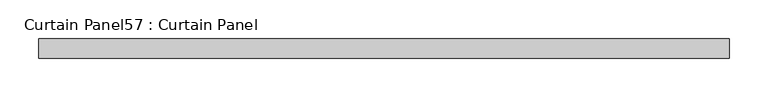
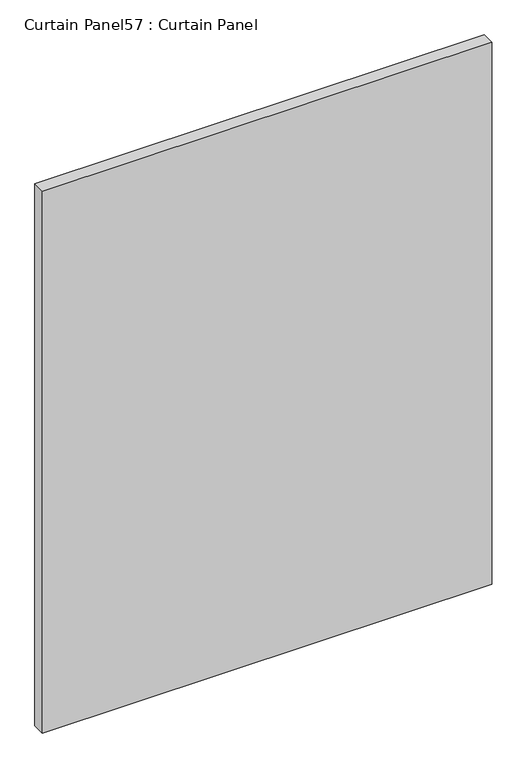
"""IFC4 building model written with IfcOpenShell, lengths in millimetres: plate geometry, Curtain Panel57 : Curtain Panel."""

import ifcopenshell
import ifcopenshell.guid

model = None  # the IFC model being written
_history = None  # IfcOwnerHistory: only IFC2X3 demands one
_inside = {}  # id of a spatial element -> (the spatial element, [elements in it])
_under = {}  # id of a project, library or spatial element -> (it, [spatial elements below it])
_declared = {}  # id of a project -> (the project, [libraries it declares])
_typed = {}  # id of a type object -> (the type object, [elements of that type])
_made_of = {}  # id of a material, layer set ... -> (it, [elements and type objects made of it])


def new_model(schema):
    """Start an empty IFC model of exactly this schema.

    Asked for "IFC4X3", IfcOpenShell would pick the latest addendum, in which some entities
    have other attributes; the version numbers below select the first issue.
    IFC2X3 requires an IfcOwnerHistory on every rooted entity: one is made here for all.
    """
    global model, _history
    if schema == "IFC4X3":
        model = ifcopenshell.file(schema_version=(4, 3, 0, 0))
    else:
        model = ifcopenshell.file(schema=schema)
    _inside.clear()
    _under.clear()
    _declared.clear()
    _typed.clear()
    _made_of.clear()
    _history = None
    if model.schema == "IFC2X3":
        org = make("IfcOrganization", Name="unknown")
        user = make(
            "IfcPersonAndOrganization",
            ThePerson=make("IfcPerson", FamilyName="unknown"),
            TheOrganization=org,
        )
        app = make(
            "IfcApplication",
            ApplicationDeveloper=org,
            Version="unknown",
            ApplicationFullName="unknown",
            ApplicationIdentifier="unknown",
        )
        _history = make(
            "IfcOwnerHistory",
            OwningUser=user,
            OwningApplication=app,
            ChangeAction="ADDED",
            CreationDate=0,
        )
    return model


def make(cls, **values):
    """One entity of the class cls with the attributes given. An attribute that is None is left unset."""
    return model.create_entity(
        cls, **{name: value for name, value in values.items() if value is not None}
    )


def rooted(cls, **values):
    """An entity with a GlobalId (a new one), such as an element, a storey or a relation."""
    return make(cls, GlobalId=ifcopenshell.guid.new(), OwnerHistory=_history, **values)


def si_unit(unit_type, name, prefix=None):
    """IfcSIUnit, for example si_unit("LENGTHUNIT", "METRE", prefix="MILLI")."""
    return make("IfcSIUnit", UnitType=unit_type, Prefix=prefix, Name=name)


def assignment(units):
    """IfcUnitAssignment: the units of a project."""
    return None if units is None else make("IfcUnitAssignment", Units=units)


def point(xyz):
    """IfcCartesianPoint."""
    return None if xyz is None else make("IfcCartesianPoint", Coordinates=xyz)


def direction(xyz):
    """IfcDirection."""
    return None if xyz is None else make("IfcDirection", DirectionRatios=xyz)


def frame(location, z_axis=None, x_axis=None):
    """IfcAxis2Placement3D, a coordinate frame: its origin and axes. An axis left out is left unset."""
    return make(
        "IfcAxis2Placement3D",
        Location=point(location),
        Axis=direction(z_axis),
        RefDirection=direction(x_axis),
    )


def origin():
    """The frame at (0, 0, 0) with its axes left unset."""
    return frame((0.0, 0.0, 0.0))


def place(relative_to, where):
    """IfcLocalPlacement: puts the frame where relative to a parent placement (None: the world)."""
    return make(
        "IfcLocalPlacement", PlacementRelTo=relative_to, RelativePlacement=where
    )


def context(
    kind, dimensions, precision=None, world=None, true_north=None, identifier=None
):
    """IfcGeometricRepresentationContext, for example the 3D "Model" context."""
    return make(
        "IfcGeometricRepresentationContext",
        ContextIdentifier=identifier,
        ContextType=kind,
        CoordinateSpaceDimension=dimensions,
        Precision=precision,
        WorldCoordinateSystem=world,
        TrueNorth=true_north,
    )


def project(units=None, contexts=None):
    """IfcProject with its units and contexts."""
    return rooted(
        "IfcProject",
        Name="project",
        RepresentationContexts=contexts,
        UnitsInContext=assignment(units),
    )


def spatial(cls, under=None, at=None, **own):
    """A site, building, storey or space (cls), placed at a placement, below another one or the project."""
    s = rooted(cls, ObjectPlacement=at, **own)
    if under is not None:
        _under.setdefault(under.id(), (under, []))[1].append(s)
    return s


def polyline(points):
    """IfcPolyline through the points."""
    return make("IfcPolyline", Points=[point(p) for p in points])


def outline(outer, holes=None, kind="AREA"):
    """IfcArbitraryClosedProfileDef: a profile drawn as a closed curve; with holes, ...WithVoids."""
    if holes is None:
        return make("IfcArbitraryClosedProfileDef", ProfileType=kind, OuterCurve=outer)
    return make(
        "IfcArbitraryProfileDefWithVoids",
        ProfileType=kind,
        OuterCurve=outer,
        InnerCurves=holes,
    )


def extrude(swept, where, along, depth):
    """IfcExtrudedAreaSolid: the profile swept, set in the frame where, extruded along a direction by depth."""
    return make(
        "IfcExtrudedAreaSolid",
        SweptArea=swept,
        Position=where,
        ExtrudedDirection=direction(along),
        Depth=depth,
    )


def shape(context_of_items, identifier, shape_type, items):
    """IfcShapeRepresentation: the items that make up one representation, for example the "Body"."""
    return make(
        "IfcShapeRepresentation",
        ContextOfItems=context_of_items,
        RepresentationIdentifier=identifier,
        RepresentationType=shape_type,
        Items=items,
    )


def source(mapping_origin, context_of_items, identifier, shape_type, items):
    """IfcRepresentationMap: a shape defined once, which mapped items show again and again."""
    return make(
        "IfcRepresentationMap",
        MappingOrigin=mapping_origin,
        MappedRepresentation=shape(context_of_items, identifier, shape_type, items),
    )


def transform(
    local_origin,
    x_axis=None,
    y_axis=None,
    z_axis=None,
    scale=None,
    scale2=None,
    scale3=None,
    uniform=True,
):
    """IfcCartesianTransformationOperator3D, or its non-uniform kind. x_axis, y_axis, z_axis: its Axis1, 2, 3."""
    if uniform:
        return make(
            "IfcCartesianTransformationOperator3D",
            Axis1=direction(x_axis),
            Axis2=direction(y_axis),
            LocalOrigin=point(local_origin),
            Scale=scale,
            Axis3=direction(z_axis),
        )
    return make(
        "IfcCartesianTransformationOperator3DnonUniform",
        Axis1=direction(x_axis),
        Axis2=direction(y_axis),
        LocalOrigin=point(local_origin),
        Scale=scale,
        Axis3=direction(z_axis),
        Scale2=scale2,
        Scale3=scale3,
    )


def mapped(mapping_source, mapping_target):
    """IfcMappedItem: shows the shape of a source again, moved by a transform."""
    return make(
        "IfcMappedItem", MappingSource=mapping_source, MappingTarget=mapping_target
    )


def made_of(thing, what):
    """Note that an element or type object is made of a material, layer set ...; save() writes the relation."""
    if what is not None:
        _made_of.setdefault(what.id(), (what, []))[1].append(thing)
    return thing


def element(
    cls,
    number,
    at=None,
    inside=None,
    cuts=None,
    type_object=None,
    material=None,
    context=None,
    identifier="Body",
    shape_type=None,
    held_by="IfcProductDefinitionShape",
    body=None,
    shapes=None,
    **own,
):
    """One element of the class cls, such as IfcWall. Its Tag is "e" and its number.

    at: its placement. inside: the storey or other place that contains it. cuts: it is an
    opening in that element (IfcRelVoidsElement). A single representation is given by context,
    identifier, shape_type and body (its items); several are given by shapes. held_by: the class
    of the entity that holds the representations. save() writes the other relations.
    """
    e = rooted(cls, Tag="e%d" % number, ObjectPlacement=at, **own)
    if body is not None:
        shapes = [shape(context, identifier, shape_type, body)]
    if shapes is not None:
        e.Representation = make(held_by, Representations=shapes)
    if inside is not None:
        _inside.setdefault(inside.id(), (inside, []))[1].append(e)
    if cuts is not None:
        rooted(
            "IfcRelVoidsElement", RelatingBuildingElement=cuts, RelatedOpeningElement=e
        )
    if type_object is not None:
        _typed.setdefault(type_object.id(), (type_object, []))[1].append(e)
    return made_of(e, material)


def aggregate(whole, parts):
    """IfcRelAggregates: a whole, such as a stair, and the parts it consists of."""
    return rooted("IfcRelAggregates", RelatingObject=whole, RelatedObjects=parts)


def save(model, path):
    """Write the relations noted so far, then the file.

    IfcRelAggregates (storeys below a building ...), IfcRelContainedInSpatialStructure (elements
    in a storey), IfcRelDefinesByType, IfcRelAssociatesMaterial and IfcRelDeclares: one each for
    every whole, place, type object, material and project.
    """
    for whole, parts in _under.values():
        aggregate(whole, parts)
    for where, things in _inside.values():
        rooted(
            "IfcRelContainedInSpatialStructure",
            RelatedElements=things,
            RelatingStructure=where,
        )
    for kind, things in _typed.values():
        rooted("IfcRelDefinesByType", RelatedObjects=things, RelatingType=kind)
    for what, things in _made_of.values():
        rooted("IfcRelAssociatesMaterial", RelatedObjects=things, RelatingMaterial=what)
    for by, libraries in _declared.values():
        rooted("IfcRelDeclares", RelatingContext=by, RelatedDefinitions=libraries)
    model.write(path)


def curtain_panel57_curtain_panel_8e823769(model_context):
    return source(origin(), model_context, "Body", "SweptSolid", [
        extrude(outline(polyline([(-39161.3811382, -3859.9631042), (-40056.7309118, -3859.9631042), (-40056.7309118, -3834.5631042), (-39161.3811382, -3834.5631042), (-39161.3811382, -3859.9631042)])), frame((0.0, 0.0, 2447.925), z_axis=(0.0, 0.0, 1.0), x_axis=(1.0, 0.0, 0.0)), (0.0, 0.0, 1.0), 1141.8462759),
    ])


if __name__ == "__main__":
    model = new_model("IFC4")
    model_context = context("Model", 3, world=origin())
    ifc_project = project(units=[si_unit("LENGTHUNIT", "METRE", prefix="MILLI")], contexts=[model_context])
    site = spatial("IfcSite", under=ifc_project)
    building = spatial("IfcBuilding", under=site)
    placement = place(None, origin())
    curtain_panel57_curtain_panel_shape = curtain_panel57_curtain_panel_8e823769(model_context)
    element("IfcPlate", 1, ObjectType="Curtain Panel57 : Curtain Panel", at=placement, inside=building, context=model_context, shape_type="MappedRepresentation", body=[
        mapped(curtain_panel57_curtain_panel_shape, transform((0.0, 0.0, 0.0), x_axis=(1.0, 0.0, 0.0), y_axis=(0.0, 1.0, 0.0), z_axis=(0.0, 0.0, 1.0))),
    ])
    save(model, "model.ifc")
